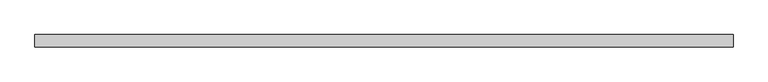
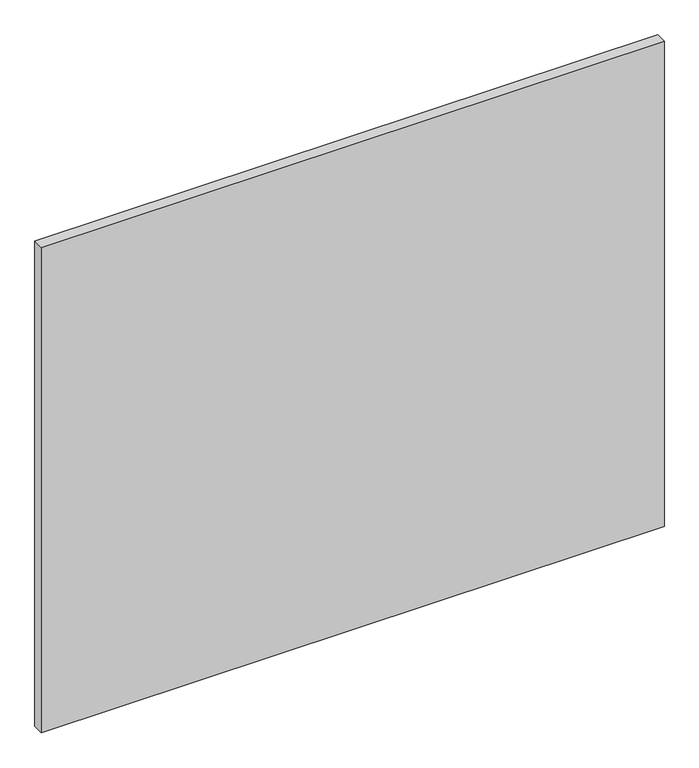
"""IFC4 building model written with IfcOpenShell, lengths in millimetres: proxy geometry."""

from ifc_helpers import new_model, si_unit, frame, origin, place, context, project, spatial, polyline, outline, extrude, source, transform, mapped, element, save


def specialty_equipment_116d5177(model_context):
    return source(origin(), model_context, "Body", "SweptSolid", [
        extrude(outline(polyline([(531.5249999, 0.0), (531.5249999, -19.05), (-531.5249999, -19.05), (-531.5249999, 0.0), (531.5249999, 0.0)])), frame((0.0, 0.0, 3.175), z_axis=(0.0, 0.0, 1.0), x_axis=(1.0, 0.0, 0.0)), (0.0, 0.0, 1.0), 875.4618001),
    ])


if __name__ == "__main__":
    model = new_model("IFC4")
    model_context = context("Model", 3, world=origin())
    ifc_project = project(units=[si_unit("LENGTHUNIT", "METRE", prefix="MILLI")], contexts=[model_context])
    site = spatial("IfcSite", under=ifc_project)
    building = spatial("IfcBuilding", under=site)
    placement = place(None, origin())
    specialty_equipment_shape = specialty_equipment_116d5177(model_context)
    element("IfcBuildingElementProxy", 1, Name="Specialty Equipment", at=placement, inside=building, context=model_context, shape_type="MappedRepresentation", body=[
        mapped(specialty_equipment_shape, transform((0.0, 0.0, 0.0), x_axis=(1.0, 0.0, 0.0), y_axis=(0.0, 1.0, 0.0), z_axis=(0.0, 0.0, 1.0))),
    ])
    save(model, "model.ifc")
